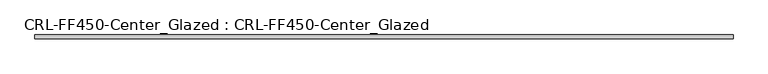
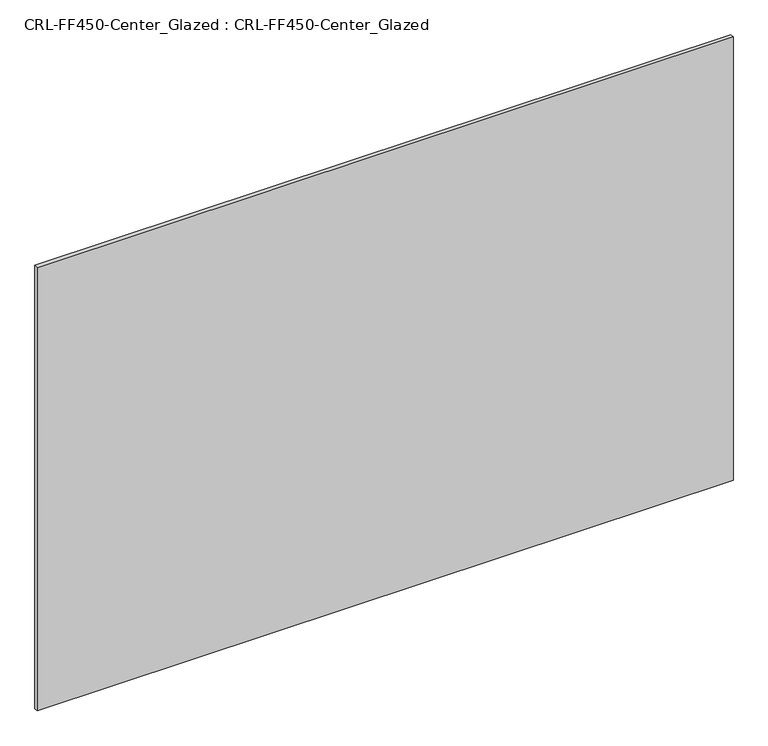
"""IFC4 building model written with IfcOpenShell, lengths in millimetres: plate geometry, CRL-FF450-Center_Glazed : CRL-FF450-Center_Glazed."""

from ifc_helpers import new_model, si_unit, origin, origin_with_axes, place, context, project, spatial, polyline, outline, extrude, source, transform, mapped, element, save


def crl_ff450_center_glazed_crl_ff450_center_glazed_2870d666(model_context):
    return source(origin(), model_context, "Body", "SweptSolid", [
        extrude(outline(polyline([(610.1292025, 3.1749999), (610.1292025, -3.1749999), (-610.1292025, -3.1749999), (-610.1292025, 3.1749999), (610.1292025, 3.1749999)])), origin_with_axes(), (0.0, 0.0, 1.0), 821.3089215),
    ])


if __name__ == "__main__":
    model = new_model("IFC4")
    model_context = context("Model", 3, world=origin())
    ifc_project = project(units=[si_unit("LENGTHUNIT", "METRE", prefix="MILLI")], contexts=[model_context])
    site = spatial("IfcSite", under=ifc_project)
    building = spatial("IfcBuilding", under=site)
    placement = place(None, origin())
    crl_ff450_center_glazed_crl_ff450_center_glazed_shape = crl_ff450_center_glazed_crl_ff450_center_glazed_2870d666(model_context)
    element("IfcPlate", 1, ObjectType="CRL-FF450-Center_Glazed : CRL-FF450-Center_Glazed", at=placement, inside=building, context=model_context, shape_type="MappedRepresentation", body=[
        mapped(crl_ff450_center_glazed_crl_ff450_center_glazed_shape, transform((0.0, 0.0, 0.0), x_axis=(1.0, 0.0, 0.0), y_axis=(0.0, 1.0, 0.0), z_axis=(0.0, 0.0, 1.0))),
    ])
    save(model, "model.ifc")
